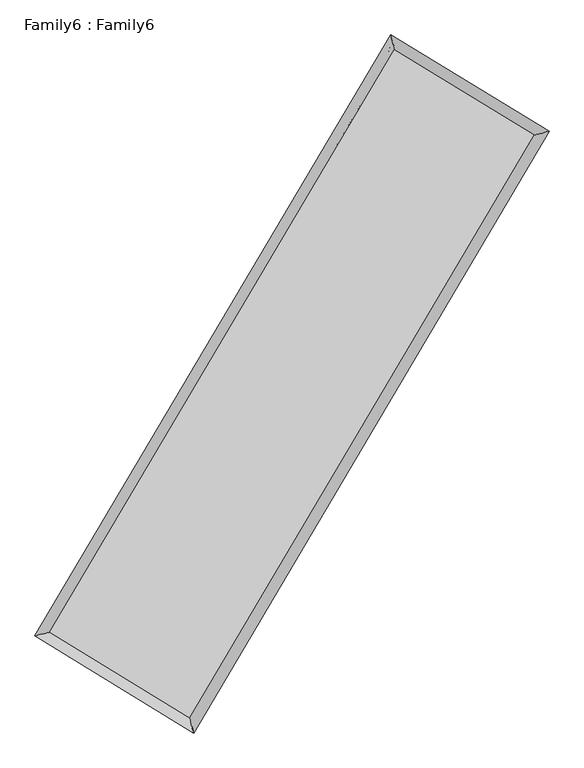
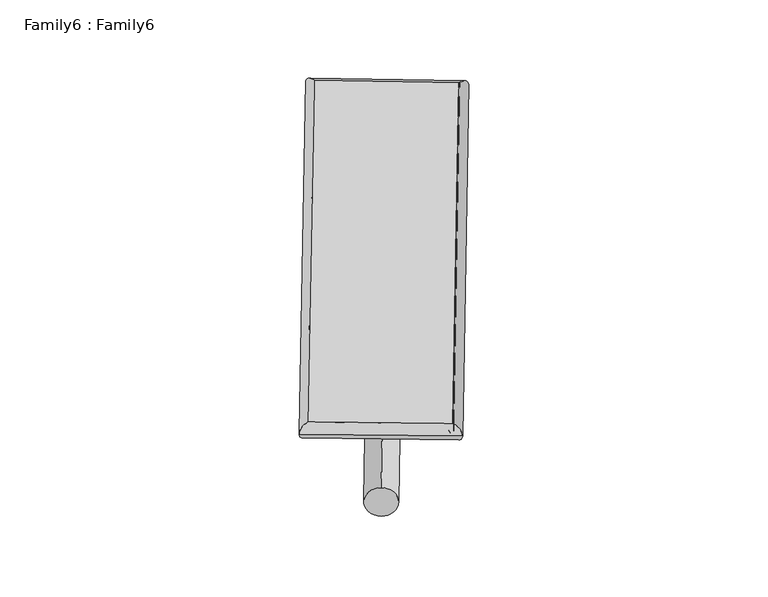
"""IFC4 building model written with IfcOpenShell, lengths in millimetres: plate geometry, Family6 : Family6."""

from ifc_helpers import new_model, si_unit, point, frame, origin, origin_2d, place, context, project, spatial, circle_curve, ellipse_curve, trimmed, segment, composite_curve, outline, extrude, source, transform, mapped, element, save
from ifc_brep_helpers import plane_surface, cylinder_surface, spline_surface, advanced_brep


def family6_family6_014ecda4(model_context):
    return source(origin(), model_context, "Body", "SolidModel", [
        extrude(outline(composite_curve([segment(trimmed(circle_curve(origin_2d(), 76.2), [point((-75.4341514, -10.7763073))], [point((75.4341514, 10.7763073))], False, "CARTESIAN"), True, "CONTINUOUS"), segment(trimmed(circle_curve(origin_2d(), 76.2), [point((75.4341514, 10.7763073))], [point((-75.4341514, -10.7763073))], False, "CARTESIAN"), True, "CONTINUOUS")], self_intersect=False)), frame((9144.0, 9144.0, 0.0), z_axis=(0.6724318474139123, 0.687971721225632, 0.2730024200943175), x_axis=(-0.6799537708009038, 0.7198920359717883, -0.13934965417260775)), (0.0, 0.0, 1.0), 5559.1419216),
        extrude(outline(composite_curve([segment(trimmed(circle_curve(origin_2d(), 76.2), [point((-53.8815367, 53.8815368))], [point((53.8815367, -53.8815368))], False, "CARTESIAN"), True, "CONTINUOUS"), segment(trimmed(circle_curve(origin_2d(), 76.2), [point((53.8815367, -53.8815368))], [point((-53.8815367, 53.8815368))], False, "CARTESIAN"), True, "CONTINUOUS")], self_intersect=False)), frame((9144.0, 9144.0, 0.0), z_axis=(-0.673160403805509, -0.6872524628608941, 0.2730185397368454), x_axis=(0.641400353074317, -0.3588653934470826, 0.6781011845309017)), (0.0, 0.0, 1.0), 5558.8821451),
        extrude(outline(composite_curve([segment(trimmed(circle_curve(origin_2d(), 76.2), [point((-53.8815367, -53.8815367))], [point((53.8815367, 53.8815367))], False, "CARTESIAN"), True, "CONTINUOUS"), segment(trimmed(circle_curve(origin_2d(), 76.2), [point((53.8815367, 53.8815367))], [point((-53.8815367, -53.8815367))], False, "CARTESIAN"), True, "CONTINUOUS")], self_intersect=False)), frame((9144.0, 9144.0, 0.0), z_axis=(0.2803402834043126, 0.9202387738804676, 0.2730749430976108), x_axis=(-0.8386702582695756, 0.3732025056205939, -0.3966763008960251)), (0.0, 0.0, 1.0), 5592.8369574),
        extrude(outline(composite_curve([segment(trimmed(circle_curve(origin_2d(), 76.2), [point((-75.4341514, 10.7763074))], [point((75.4341514, -10.7763074))], False, "CARTESIAN"), True, "CONTINUOUS"), segment(trimmed(circle_curve(origin_2d(), 76.2), [point((75.4341514, -10.7763074))], [point((-75.4341514, 10.7763074))], False, "CARTESIAN"), True, "CONTINUOUS")], self_intersect=False)), frame((9144.0, 9144.0, 0.0), z_axis=(-0.27956187760246787, -0.9205446138148173, 0.27284202493001686), x_axis=(0.8770281374628385, -0.12919306483785264, 0.4627426910241445)), (0.0, 0.0, 1.0), 5597.765979),
        advanced_brep(
        [(5194.3302699, 5272.0732218, 1518.4486559), (5609.6341319, 5375.2202466, 1518.6465194), (5609.6310311, 5375.2158883, 1516.9071157), (10764.396308, 14080.3051629, 1526.2127758), (10659.3986873, 14501.1856855, 1528.314492), (5194.3271691, 5272.0688635, 1516.7092523), (12674.466615, 12916.6033988, 1517.7597514), (13089.8215298, 13020.4614739, 1517.5586451), (7526.5997869, 4201.8133698, 1527.1240409), (7631.5562782, 3780.1999875, 1527.4875687)],
        [
            (0, 1, ellipse_curve(frame((5401.9806505, 5323.644555, 1517.6778858), z_axis=(-0.241040683824643, 0.9705129471192839, -0.002002052744256959), x_axis=(-0.9705078593324621, -0.24104631444255825, -0.0033420454187908497)), 213.9649995, 152.4)),
            (1, 2, ellipse_curve(frame((5401.9806505, 5323.644555, 1517.6778858), z_axis=(-0.241040683824643, 0.9705129471192839, -0.002002052744256959), x_axis=(-0.9705078593324621, -0.24104631444255825, -0.0033420454187908497)), 213.9649995, 152.4)),
            (2, 3),
            (3, 4, ellipse_curve(frame((10711.8974977, 14290.7454242, 1527.2636339), z_axis=(-0.9702586805353854, -0.24206187741208376, 0.0020347848707154897), x_axis=(0.2420545395212818, -0.9702570257215518, -0.0033021107049832706)), 216.8927104, 152.4)),
            (4, 0),
            (2, 5, ellipse_curve(frame((5401.9806505, 5323.644555, 1517.6778858), z_axis=(-0.241040683824643, 0.9705129471192839, -0.002002052744256959), x_axis=(-0.9705078593324621, -0.24104631444255825, -0.0033420454187908497)), 213.9649995, 152.4)),
            (5, 0, ellipse_curve(frame((5401.9806505, 5323.644555, 1517.6778858), z_axis=(-0.241040683824643, 0.9705129471192839, -0.002002052744256959), x_axis=(-0.9705078593324621, -0.24104631444255825, -0.0033420454187908497)), 213.9649995, 152.4)),
            (4, 3, ellipse_curve(frame((10711.8974977, 14290.7454242, 1527.2636339), z_axis=(-0.9702586805353854, -0.24206187741208376, 0.0020347848707154897), x_axis=(0.2420545395212818, -0.9702570257215518, -0.0033021107049832706)), 216.8927104, 152.4)),
            (3, 6),
            (6, 7, ellipse_curve(frame((12882.1440724, 12968.5324364, 1517.6591982), z_axis=(-0.2425767529329238, 0.9701301462457084, 0.0020045652395252844), x_axis=(-0.970125024670888, -0.2425823932745841, 0.0033494746579312944)), 214.0722569, 152.4)),
            (7, 4),
            (7, 6, ellipse_curve(frame((12882.1440724, 12968.5324364, 1517.6591982), z_axis=(-0.2425767529329238, 0.9701301462457084, 0.0020045652395252844), x_axis=(-0.970125024670888, -0.2425823932745841, 0.0033494746579312944)), 214.0722569, 152.4)),
            (6, 8),
            (8, 9, ellipse_curve(frame((7579.0780325, 3991.0066786, 1527.3058048), z_axis=(0.9703816048047694, 0.24156867480970295, 0.002028893098317141), x_axis=(-0.24156137216056517, 0.9703799479930725, -0.0032954533628465313)), 217.2412364, 152.4)),
            (9, 7),
            (9, 8, ellipse_curve(frame((7579.0780325, 3991.0066786, 1527.3058048), z_axis=(0.9703816048047694, 0.24156867480970295, 0.002028893098317141), x_axis=(-0.24156137216056517, 0.9703799479930725, -0.0032954533628465313)), 217.2412364, 152.4)),
            (8, 1),
            (5, 9),
        ],
        [
            cylinder_surface(frame((5401.9806505, 5323.644555, 1517.6778858), z_axis=(-0.5095237076098198, -0.8604561263163493, -0.0009198196594475717), x_axis=(-0.8604439826421135, 0.5095101412616825, 0.005963948899738465)), 152.4),
            cylinder_surface(frame((10711.8974977, 14290.7454242, 1527.2636339), z_axis=(-0.8539838316692793, 0.5202858176711257, 0.0037793091622889048), x_axis=(0.520296987227811, 0.8539798771078707, 0.00306831818575395)), 152.4),
            cylinder_surface(frame((12882.1440724, 12968.5324364, 1517.6591982), z_axis=(0.5085986081946392, 0.8610032519093014, -0.0009251724618344277), x_axis=(0.8610037118462107, -0.5085986081946392, 0.0002528428824324971)), 152.4),
            cylinder_surface(frame((7579.0780325, 3991.0066786, 1527.3058048), z_axis=(0.8528938878353214, -0.5220706748686614, 0.0037718079657726076), x_axis=(-0.5220640813510513, -0.852902181469672, -0.002638902680579486)), 152.4),
        ],
        [
            (0, [[1, 2, 3, 4, 5]]),
            (0, [[6, 7, -5, 8, -3]]),
            (1, [[-4, 9, 10, 11]]),
            (1, [[-8, -11, 12, -9]]),
            (2, [[-10, 13, 14, 15]]),
            (2, [[-12, -15, 16, -13]]),
            (3, [[-14, 17, -1, -7, 18]]),
            (3, [[-16, -18, -6, -2, -17]]),
        ],
    ),
        extrude(outline(composite_curve([segment(trimmed(circle_curve(origin_2d(), 304.8), [point((0.0, -304.8))], [point((0.0, 304.8))], False, "CARTESIAN"), True, "CONTINUOUS"), segment(trimmed(circle_curve(origin_2d(), 304.8), [point((0.0, 304.8))], [point((0.0, -304.8))], False, "CARTESIAN"), True, "CONTINUOUS")], self_intersect=False)), frame((6488.2555101, 4642.724512, -0.0001133), z_axis=(0.5081477197047818, 0.8612699315306612, 2.1682424445805363e-08), x_axis=(-0.8612699315306617, 0.5081477197047819, 5.919546839047892e-09)), (0.0, 0.0, 1.0), 10452.6474761),
        advanced_brep(
        [(5401.9806505, 5323.644555, 1517.6778858), (7579.0780325, 3991.0066786, 1527.3058048), (7579.0765888, 3991.0080911, 1679.7058048), (5401.9792068, 5323.6459675, 1670.0778858), (12882.1440724, 12968.5324364, 1517.6591982), (12882.1426287, 12968.5338488, 1670.0591982), (10711.8974977, 14290.7454242, 1527.2636339), (10711.896054, 14290.7468367, 1679.6636339)],
        [
            (0, 1),
            (1, 2),
            (2, 3),
            (3, 0),
            (1, 4),
            (4, 5),
            (5, 2),
            (4, 6),
            (6, 7),
            (7, 5),
            (6, 0),
            (3, 7),
        ],
        [
            plane_surface(frame((6490.5293415, 4657.3256168, 1522.4918453), z_axis=(-0.5220743980535457, -0.8528999489320377, 2.9589994801633e-06), x_axis=(0.8528938878353214, -0.5220706748686615, 0.0037718079657726067))),
            plane_surface(frame((10230.6110525, 8479.7695575, 1522.4825015), z_axis=(0.8610036263794776, -0.5085988155666011, 1.2870115571359181e-05), x_axis=(0.508598608194639, 0.8610032519093016, -0.0009251724618344307))),
            plane_surface(frame((11797.020785, 13629.6389303, 1522.4614161), z_axis=(0.5202895237386242, 0.8539899364037725, -2.9860098701085976e-06), x_axis=(-0.8539838316692794, 0.5202858176711256, 0.0037793091622889048))),
            plane_surface(frame((8056.9390741, 9807.1949896, 1522.4707599), z_axis=(-0.8604564842141348, 0.5095239333025715, -1.2873506414415824e-05), x_axis=(-0.5095237076098198, -0.8604561263163492, -0.0009198196594475729))),
            spline_surface(1, 1, [[(7579.0765888, 3991.0080911, 1679.7058048), (5401.9792068, 5323.6459675, 1670.0778858)], [(12882.1426287, 12968.5338488, 1670.0591982), (10711.896054, 14290.7468367, 1679.6636339)]], [2, 2], [2, 2], [0.0, 1.0], [0.0, 1.0]),
            spline_surface(1, 1, [[(10711.8974977, 14290.7454242, 1527.2636339), (5401.9806505, 5323.644555, 1517.6778858)], [(12882.1440724, 12968.5324364, 1517.6591982), (7579.0780325, 3991.0066786, 1527.3058048)]], [2, 2], [2, 2], [0.0, 1.0], [0.0, 1.0]),
        ],
        [
            (0, [[1, 2, 3, 4]]),
            (1, [[5, 6, 7, -2]]),
            (2, [[8, 9, 10, -6]]),
            (3, [[11, -4, 12, -9]]),
            (4, [[-3, -7, -10, -12]]),
            (5, [[-11, -8, -5, -1]]),
        ],
    ),
    ])


if __name__ == "__main__":
    model = new_model("IFC4")
    model_context = context("Model", 3, world=origin())
    ifc_project = project(units=[si_unit("LENGTHUNIT", "METRE", prefix="MILLI")], contexts=[model_context])
    site = spatial("IfcSite", under=ifc_project)
    building = spatial("IfcBuilding", under=site)
    placement = place(None, origin())
    family6_family6_shape = family6_family6_014ecda4(model_context)
    element("IfcPlate", 1, ObjectType="Family6 : Family6", at=placement, inside=building, context=model_context, shape_type="MappedRepresentation", body=[
        mapped(family6_family6_shape, transform((0.0, 0.0, 0.0), x_axis=(1.0, 0.0, 0.0), y_axis=(0.0, 1.0, 0.0), z_axis=(0.0, 0.0, 1.0))),
    ])
    save(model, "model.ifc")
